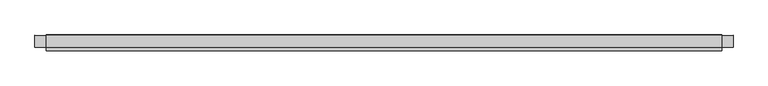
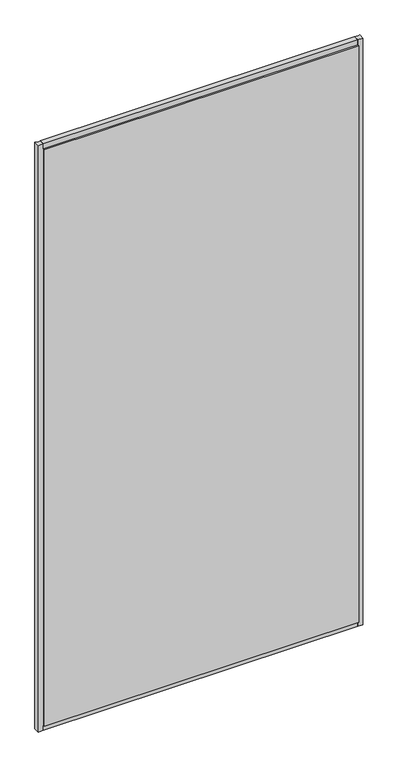
"""IFC4 building model written with IfcOpenShell, lengths in millimetres: plate geometry."""

from ifc_helpers import new_model, si_unit, point, frame, frame_2d, origin, place, context, project, spatial, polyline, circle_curve, trimmed, segment, composite_curve, outline, extrude, source, transform, mapped, element, save


def plate_ecda985d(model_context):
    return source(origin(), model_context, "Body", "SweptSolid", [
        extrude(outline(polyline([(601.1111111, 14.0), (601.1111111, 8.0), (-601.1111111, 8.0), (-601.1111111, 14.0), (601.1111111, 14.0)])), frame((0.0, 0.0, 10.0), z_axis=(0.0, 0.0, 1.0), x_axis=(1.0, 0.0, 0.0)), (0.0, 0.0, 1.0), 2332.9080722),
        extrude(outline(polyline([(601.1111111, -8.0), (601.1111111, -14.0), (-601.1111111, -14.0), (-601.1111111, -8.0), (601.1111111, -8.0)])), frame((0.0, 0.0, 10.0), z_axis=(0.0, 0.0, 1.0), x_axis=(1.0, 0.0, 0.0)), (0.0, 0.0, 1.0), 2332.9080722),
        extrude(outline(composite_curve([segment(polyline([(13.499631, -10.0), (-8.0, -10.0), (-8.0, 10.0), (13.499631, 10.0)]), True, "CONTINUOUS"), segment(trimmed(circle_curve(frame_2d((45.6328576, 0.0)), 33.6532948), [point((13.499631, 10.0))], [point((13.499631, -10.0))], True, "CARTESIAN"), True, "CONTINUOUS")], self_intersect=False)), frame((-601.1111111, 0.0, 0.0), z_axis=(1.0, 0.0, 0.0), x_axis=(0.0, 1.0, 0.0)), (0.0, 0.0, 1.0), 1202.2222222),
        extrude(outline(composite_curve([segment(trimmed(circle_curve(frame_2d((45.6328576, 2352.9080722)), 33.6532948), [point((13.499631, 2362.9080722))], [point((13.499631, 2342.9080722))], True, "CARTESIAN"), True, "CONTINUOUS"), segment(polyline([(13.499631, 2342.9080722), (-8.0, 2342.9080722), (-8.0, 2362.9080722), (13.499631, 2362.9080722)]), True, "CONTINUOUS")], self_intersect=False)), frame((-601.1111111, 0.0, 0.0), z_axis=(1.0, 0.0, 0.0), x_axis=(0.0, 1.0, 0.0)), (0.0, 0.0, 1.0), 1202.2222222),
        extrude(outline(composite_curve([segment(polyline([(621.1111111, -8.0), (601.1111111, -8.0), (601.1111111, 13.5022002)]), True, "CONTINUOUS"), segment(trimmed(circle_curve(frame_2d((611.0375993, 45.5022747)), 33.5043271), [point((601.1111111, 13.5022002))], [point((621.1111111, 13.548178))], True, "CARTESIAN"), True, "CONTINUOUS"), segment(polyline([(621.1111111, 13.548178), (621.1111111, -8.0)]), True, "CONTINUOUS")], self_intersect=False)), frame((0.0, 0.0, -10.0), z_axis=(0.0, 0.0, 1.0), x_axis=(1.0, 0.0, 0.0)), (0.0, 0.0, 1.0), 2372.9080722),
        extrude(outline(composite_curve([segment(polyline([(-601.1111111, -8.0), (-621.1111111, -8.0), (-621.1111111, 13.499631)]), True, "CONTINUOUS"), segment(trimmed(circle_curve(frame_2d((-611.1111111, 45.6328576)), 33.6532948), [point((-621.1111111, 13.499631))], [point((-601.1111111, 13.499631))], True, "CARTESIAN"), True, "CONTINUOUS"), segment(polyline([(-601.1111111, 13.499631), (-601.1111111, -8.0)]), True, "CONTINUOUS")], self_intersect=False)), frame((0.0, 0.0, -10.0), z_axis=(0.0, 0.0, 1.0), x_axis=(1.0, 0.0, 0.0)), (0.0, 0.0, 1.0), 2372.9080722),
    ])


if __name__ == "__main__":
    model = new_model("IFC4")
    model_context = context("Model", 3, world=origin())
    ifc_project = project(units=[si_unit("LENGTHUNIT", "METRE", prefix="MILLI")], contexts=[model_context])
    site = spatial("IfcSite", under=ifc_project)
    building = spatial("IfcBuilding", under=site)
    placement = place(None, origin())
    plate_shape = plate_ecda985d(model_context)
    element("IfcPlate", 1, at=placement, inside=building, context=model_context, shape_type="MappedRepresentation", body=[
        mapped(plate_shape, transform((0.0, 0.0, 0.0), x_axis=(1.0, 0.0, 0.0), y_axis=(0.0, 1.0, 0.0), z_axis=(0.0, 0.0, 1.0))),
    ])
    save(model, "model.ifc")
